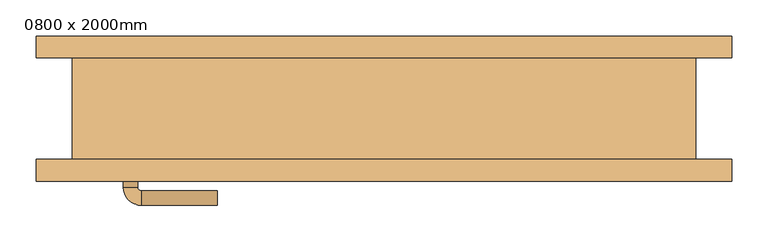
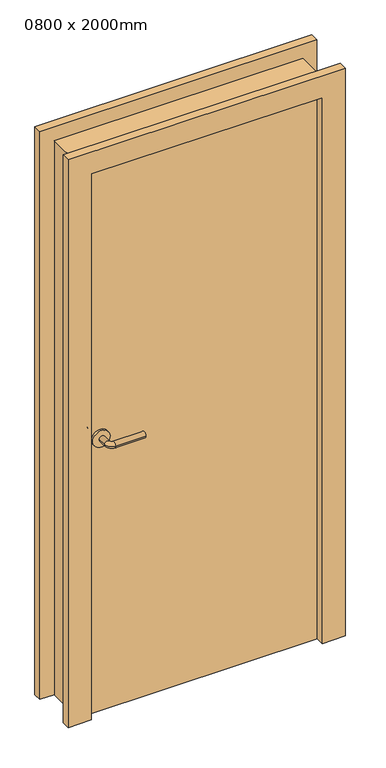
"""IFC4 building model written with IfcOpenShell, lengths in millimetres: door geometry, 0800 x 2000mm."""

from ifc_helpers import new_model, si_unit, point, frame, frame_2d, origin, origin_with_axes, place, context, project, spatial, polyline, circle_curve, ellipse_curve, trimmed, segment, composite_curve, outline, extrude, faceted_brep, source, transform, mapped, element, save
from ifc_brep_helpers import plane_surface, cylinder_surface, revolved_surface, advanced_brep


def door_0800_x_2000mm_e7e7f483(model_context):
    return source(origin(), model_context, "Body", "SolidModel", [
        advanced_brep(
        [(-360.0, -42.0, 1000.0), (-340.0, -42.0, 1000.0), (-360.0, -12.0, 1000.0), (-340.0, -12.0, 1000.0), (-335.0, -7.0, 1000.0), (-335.0, 13.0, 1000.0), (-230.0, 13.0, 1000.0), (-230.0, -7.0, 1000.0)],
        [
            (0, 1, circle_curve(frame((-350.0, -42.0, 1000.0), z_axis=(0.0, -1.0, 0.0), x_axis=(0.9999999999999986, 0.0, 0.0)), 10.0)),
            (1, 0, circle_curve(frame((-350.0, -42.0, 1000.0), z_axis=(0.0, -1.0, 0.0), x_axis=(0.9999999999999986, 0.0, 0.0)), 10.0)),
            (0, 2),
            (2, 3, circle_curve(frame((-350.0, -12.0, 1000.0), z_axis=(0.0, -1.0, 0.0), x_axis=(0.9999999999999986, 0.0, 0.0)), 10.0)),
            (3, 1),
            (3, 2, circle_curve(frame((-350.0, -12.0, 1000.0), z_axis=(0.0, -1.0, 0.0), x_axis=(0.9999999999999986, 0.0, 0.0)), 10.0)),
            (4, 3, circle_curve(frame((-335.0, -12.0, 1000.0), z_axis=(0.0, 0.0, 1.0), x_axis=(-0.9999999999999986, 0.0, 0.0)), 5.0)),
            (2, 5, circle_curve(frame((-335.0, -12.0, 1000.0), z_axis=(0.0, 0.0, -1.0), x_axis=(-0.9999999999999986, 0.0, 0.0)), 25.0)),
            (5, 4, circle_curve(frame((-335.0, 3.0, 1000.0), z_axis=(-0.9999999999999986, 0.0, 0.0), x_axis=(0.0, -0.9999999999999986, 0.0)), 10.0)),
            (4, 5, circle_curve(frame((-335.0, 3.0, 1000.0), z_axis=(-0.9999999999999986, 0.0, 0.0), x_axis=(0.0, -0.9999999999999986, 0.0)), 10.0)),
            (6, 7, circle_curve(frame((-230.0, 3.0, 1000.0), z_axis=(1.0, 0.0, 0.0), x_axis=(0.0, -0.9999999999999986, 0.0)), 10.0)),
            (7, 6, circle_curve(frame((-230.0, 3.0, 1000.0), z_axis=(1.0, 0.0, 0.0), x_axis=(0.0, -0.9999999999999986, 0.0)), 10.0)),
            (5, 6),
            (7, 4),
        ],
        [
            plane_surface(frame((-350.0, -42.0, 1000.0), z_axis=(0.0, -1.0, 0.0), x_axis=(0.0, 0.0, 1.0))),
            cylinder_surface(frame((-350.0, -42.0, 1000.0), z_axis=(0.0, -0.9999999999999986, 0.0), x_axis=(0.9999999999999986, 0.0, 0.0)), 10.0),
            revolved_surface(trimmed(ellipse_curve(frame((-350.0, -12.0, 1000.0), z_axis=(0.0, -0.9999999999999986, 0.0), x_axis=(0.9999999999999986, 0.0, 0.0)), 10.0, 10.0), [point((-360.0, -12.0, 1000.0))], [point((-340.0, -12.0, 1000.0))], True, "CARTESIAN"), (-335.0, -12.0, 1000.0), (0.0, 0.0, -1.0)),
            revolved_surface(trimmed(ellipse_curve(frame((-350.0, -12.0, 1000.0), z_axis=(0.0, -0.9999999999999986, 0.0), x_axis=(0.9999999999999986, 0.0, 0.0)), 10.0, 10.0), [point((-340.0, -12.0, 1000.0))], [point((-360.0, -12.0, 1000.0))], True, "CARTESIAN"), (-335.0, -12.0, 1000.0), (0.0, 0.0, -1.0)),
            plane_surface(frame((-230.0, 3.0, 1000.0), z_axis=(1.0, 0.0, 0.0), x_axis=(0.0, 0.0, 1.0))),
            cylinder_surface(frame((-335.0, 3.0, 1000.0), z_axis=(-0.9999999999999986, 0.0, 0.0), x_axis=(0.0, -0.9999999999999986, 0.0)), 10.0),
        ],
        [
            (0, [[1, 2]]),
            (1, [[-1, 3, 4, 5]]),
            (1, [[-2, -5, 6, -3]]),
            (2, [[7, -4, 8, 9]]),
            (3, [[-8, -6, -7, 10]]),
            (4, [[11, 12]]),
            (5, [[-9, 13, -12, 14]]),
            (5, [[-10, -14, -11, -13]]),
        ],
    ),
        extrude(outline(composite_curve([segment(trimmed(circle_curve(frame_2d((1000.0, -352.5)), 30.0), [point((1000.0, -382.5))], [point((1000.0, -322.5))], False, "CARTESIAN"), True, "CONTINUOUS"), segment(trimmed(circle_curve(frame_2d((1000.0, -352.5)), 30.0), [point((1000.0, -322.5))], [point((1000.0, -382.5))], False, "CARTESIAN"), True, "CONTINUOUS")], self_intersect=False)), frame((0.0, -50.0, 0.0), z_axis=(0.0, 1.0, 0.0), x_axis=(0.0, 0.0, 1.0)), (0.0, 0.0, 1.0), 8.0),
        advanced_brep(
        [(-360.0, -78.0, 1000.0), (-340.0, -78.0, 1000.0), (-340.0, -108.0, 1000.0), (-360.0, -108.0, 1000.0), (-335.0, -113.0, 1000.0), (-335.0, -133.0, 1000.0), (-230.0, -133.0, 1000.0), (-230.0, -113.0, 1000.0)],
        [
            (0, 1, circle_curve(frame((-350.0, -78.0, 1000.0), z_axis=(0.0, 1.0, 0.0), x_axis=(0.9999999999999992, 0.0, 0.0)), 10.0)),
            (1, 0, circle_curve(frame((-350.0, -78.0, 1000.0), z_axis=(0.0, 1.0, 0.0), x_axis=(0.9999999999999992, 0.0, 0.0)), 10.0)),
            (1, 2),
            (2, 3, circle_curve(frame((-350.0, -108.0, 1000.0), z_axis=(0.0, 1.0, 0.0), x_axis=(0.9999999999999992, 0.0, 0.0)), 10.0)),
            (3, 0),
            (3, 2, circle_curve(frame((-350.0, -108.0, 1000.0), z_axis=(0.0, 1.0, 0.0), x_axis=(0.9999999999999992, 0.0, 0.0)), 10.0)),
            (4, 5, circle_curve(frame((-335.0, -123.0, 1000.0), z_axis=(-0.9999999999999992, 0.0, 0.0), x_axis=(0.0, 0.9999999999999992, 0.0)), 10.0)),
            (5, 3, circle_curve(frame((-335.0, -108.0, 1000.0), z_axis=(0.0, 0.0, -1.0), x_axis=(-0.9999999999999992, 0.0, 0.0)), 25.0)),
            (2, 4, circle_curve(frame((-335.0, -108.0, 1000.0), z_axis=(0.0, 0.0, 1.0), x_axis=(-0.9999999999999992, 0.0, 0.0)), 5.0)),
            (5, 4, circle_curve(frame((-335.0, -123.0, 1000.0), z_axis=(-0.9999999999999992, 0.0, 0.0), x_axis=(0.0, 0.9999999999999992, 0.0)), 10.0)),
            (6, 7, circle_curve(frame((-230.0, -123.0, 1000.0), z_axis=(1.0, 0.0, 0.0), x_axis=(0.0, 0.9999999999999992, 0.0)), 10.0)),
            (7, 6, circle_curve(frame((-230.0, -123.0, 1000.0), z_axis=(1.0, 0.0, 0.0), x_axis=(0.0, 0.9999999999999992, 0.0)), 10.0)),
            (4, 7),
            (6, 5),
        ],
        [
            plane_surface(frame((-350.0, -78.0, 1000.0), z_axis=(0.0, 1.0, 0.0), x_axis=(0.0, 0.0, 1.0))),
            cylinder_surface(frame((-350.0, -78.0, 1000.0), z_axis=(0.0, 0.9999999999999992, 0.0), x_axis=(0.9999999999999992, 0.0, 0.0)), 10.0),
            revolved_surface(trimmed(ellipse_curve(frame((-350.0, -108.0, 1000.0), z_axis=(0.0, -0.9999999999999992, 0.0), x_axis=(0.9999999999999992, 0.0, 0.0)), 10.0, 10.0), [point((-360.0, -108.0, 1000.0))], [point((-340.0, -108.0, 1000.0))], True, "CARTESIAN"), (-335.0, -108.0, 1000.0), (0.0, 0.0, -1.0)),
            revolved_surface(trimmed(ellipse_curve(frame((-350.0, -108.0, 1000.0), z_axis=(0.0, -0.9999999999999992, 0.0), x_axis=(0.9999999999999992, 0.0, 0.0)), 10.0, 10.0), [point((-340.0, -108.0, 1000.0))], [point((-360.0, -108.0, 1000.0))], True, "CARTESIAN"), (-335.0, -108.0, 1000.0), (0.0, 0.0, -1.0)),
            plane_surface(frame((-230.0, -123.0, 1000.0), z_axis=(1.0, 0.0, 0.0), x_axis=(0.0, 0.0, 1.0))),
            cylinder_surface(frame((-335.0, -123.0, 1000.0), z_axis=(-0.9999999999999992, 0.0, 0.0), x_axis=(0.0, 0.9999999999999992, 0.0)), 10.0),
        ],
        [
            (0, [[1, 2]]),
            (1, [[3, 4, 5, -2]]),
            (1, [[-5, 6, -3, -1]]),
            (2, [[7, 8, -4, 9]]),
            (3, [[10, -9, -6, -8]]),
            (4, [[11, 12]]),
            (5, [[13, -11, 14, -7]]),
            (5, [[-14, -12, -13, -10]]),
        ],
    ),
        extrude(outline(composite_curve([segment(trimmed(circle_curve(frame_2d((1000.0, -352.5)), 30.0), [point((1000.0, -382.5))], [point((1000.0, -322.5))], False, "CARTESIAN"), True, "CONTINUOUS"), segment(trimmed(circle_curve(frame_2d((1000.0, -352.5)), 30.0), [point((1000.0, -322.5))], [point((1000.0, -382.5))], False, "CARTESIAN"), True, "CONTINUOUS")], self_intersect=False)), frame((0.0, -78.0, 0.0), z_axis=(0.0, 1.0, 0.0), x_axis=(0.0, 0.0, 1.0)), (0.0, 0.0, 1.0), 8.0),
        faceted_brep([(-430.0, -70.0, 0.0), (-430.0, 70.0, 0.0), (-480.0, 70.0, 0.0), (-480.0, 100.0, 0.0), (-400.0, 100.0, 0.0), (-400.0, -100.0, 0.0), (-480.0, -100.0, 0.0), (-480.0, -70.0, 0.0), (-480.0, -70.0, 2080.0), (480.0, -70.0, 2080.0), (480.0, -70.0, 0.0), (430.0, -70.0, 0.0), (430.0, -70.0, 2030.0), (-430.0, -70.0, 2030.0), (-480.0, -100.0, 2080.0), (-400.0, -100.0, 2000.0), (400.0, -100.0, 2000.0), (400.0, -100.0, 0.0), (480.0, -100.0, 0.0), (480.0, -100.0, 2080.0), (-400.0, 100.0, 2000.0), (-480.0, 100.0, 2080.0), (480.0, 100.0, 2080.0), (480.0, 100.0, 0.0), (400.0, 100.0, 0.0), (400.0, 100.0, 2000.0), (-480.0, 70.0, 2080.0), (-430.0, 70.0, 2030.0), (430.0, 70.0, 2030.0), (430.0, 70.0, 0.0), (480.0, 70.0, 0.0), (480.0, 70.0, 2080.0)], [[[0, 1, 2, 3, 4, 5, 6, 7]], [[7, 8, 9, 10, 11, 12, 13, 0]], [[6, 14, 8, 7]], [[5, 15, 16, 17, 18, 19, 14, 6]], [[4, 20, 15, 5]], [[3, 21, 22, 23, 24, 25, 20, 4]], [[2, 26, 21, 3]], [[1, 27, 28, 29, 30, 31, 26, 2]], [[0, 13, 27, 1]], [[12, 11, 29, 28]], [[11, 10, 18, 17, 24, 23, 30, 29]], [[19, 18, 10, 9]], [[25, 24, 17, 16]], [[31, 30, 23, 22]], [[14, 19, 9, 8]], [[20, 25, 16, 15]], [[26, 31, 22, 21]], [[13, 12, 28, 27]]]),
        extrude(outline(polyline([(-400.0, -70.0), (-400.0, -50.0), (400.0, -50.0), (400.0, -70.0), (-400.0, -70.0)])), origin_with_axes(), (0.0, 0.0, 1.0), 2000.0),
    ])


if __name__ == "__main__":
    model = new_model("IFC4")
    model_context = context("Model", 3, world=origin())
    ifc_project = project(units=[si_unit("LENGTHUNIT", "METRE", prefix="MILLI")], contexts=[model_context])
    site = spatial("IfcSite", under=ifc_project)
    building = spatial("IfcBuilding", under=site)
    placement = place(None, origin())
    door_0800_x_2000mm_shape = door_0800_x_2000mm_e7e7f483(model_context)
    element("IfcDoor", 1, ObjectType="0800 x 2000mm", at=placement, inside=building, context=model_context, shape_type="MappedRepresentation", body=[
        mapped(door_0800_x_2000mm_shape, transform((0.0, 0.0, 0.0), x_axis=(1.0, 0.0, 0.0), y_axis=(0.0, 1.0, 0.0), z_axis=(0.0, 0.0, 1.0))),
    ])
    save(model, "model.ifc")
